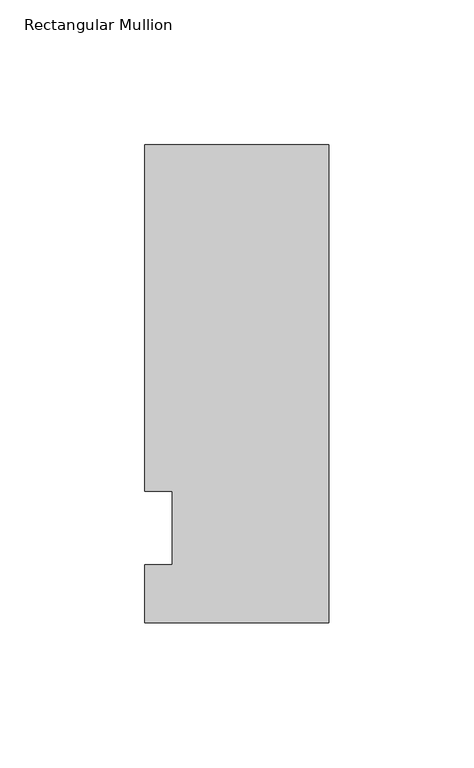
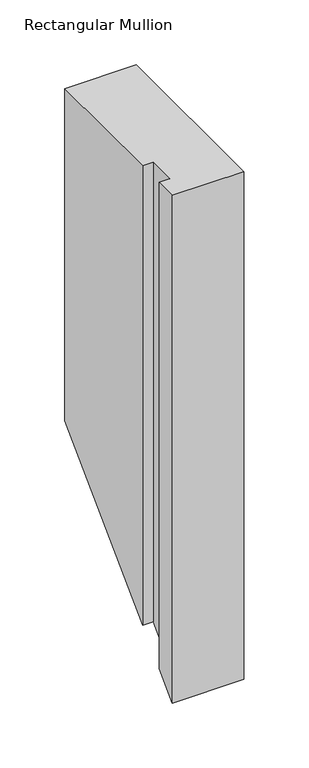
"""IFC4 building model written with IfcOpenShell, lengths in millimetres: member geometry, Rectangular Mullion."""

from ifc_helpers import new_model, si_unit, origin, place, context, project, spatial, faceted_brep, source, transform, mapped, element, save


def rectangular_mullion_08460f04(model_context):
    return source(origin(), model_context, "Body", "Brep", [
        faceted_brep([(0.0, -20.0421875, 0.0), (-63.5, -20.0421875, 0.0), (-63.5, -20.0421875, -477.2421875), (0.0, -20.0421875, -477.2421875), (0.0, 145.0578125, 0.0), (0.0, 145.0578125, -312.1421875), (-63.5, 145.0578125, 0.0), (-63.5, 145.0578125, -312.1421875), (-63.5, 25.4, 0.0), (-63.5, 25.4, -431.8), (-53.975, 25.4, 0.0), (-53.975, 25.4, -431.8), (-53.975, 0.0, 0.0), (-53.975, 0.0, -457.2), (-63.5, 0.0, 0.0), (-63.5, 0.0, -457.2)], [[[0, 1, 2, 3]], [[4, 0, 3, 5]], [[6, 4, 5, 7]], [[8, 6, 7, 9]], [[10, 8, 9, 11]], [[12, 10, 11, 13]], [[14, 12, 13, 15]], [[1, 14, 15, 2]], [[1, 0, 4, 6, 8, 10, 12, 14]], [[2, 15, 13, 11, 9, 7, 5, 3]]]),
    ])


if __name__ == "__main__":
    model = new_model("IFC4")
    model_context = context("Model", 3, world=origin())
    ifc_project = project(units=[si_unit("LENGTHUNIT", "METRE", prefix="MILLI")], contexts=[model_context])
    site = spatial("IfcSite", under=ifc_project)
    building = spatial("IfcBuilding", under=site)
    placement = place(None, origin())
    rectangular_mullion_shape = rectangular_mullion_08460f04(model_context)
    element("IfcMember", 1, ObjectType="Rectangular Mullion", at=placement, inside=building, context=model_context, shape_type="MappedRepresentation", body=[
        mapped(rectangular_mullion_shape, transform((0.0, 0.0, 0.0), x_axis=(1.0, 0.0, 0.0), y_axis=(0.0, 1.0, 0.0), z_axis=(0.0, 0.0, 1.0))),
    ])
    save(model, "model.ifc")
